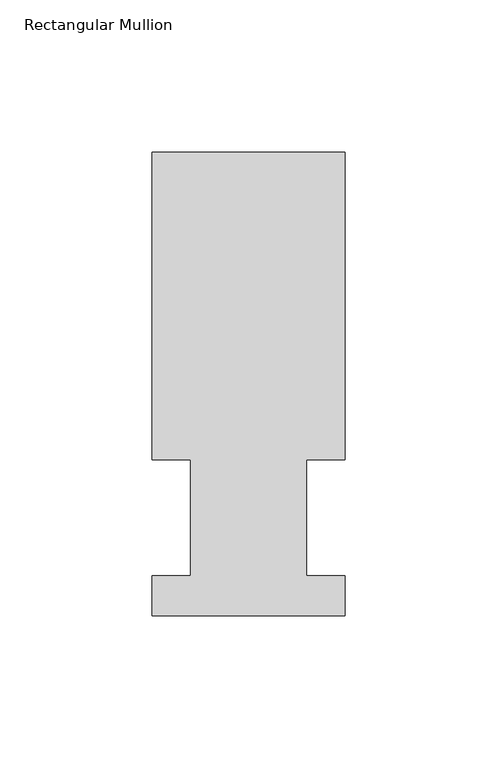
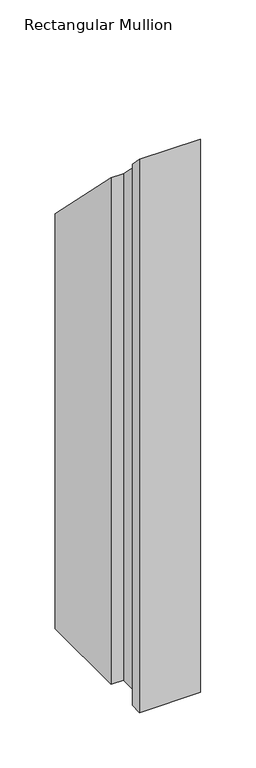
"""IFC4 building model written with IfcOpenShell, lengths in millimetres: member geometry, Rectangular Mullion."""

from ifc_helpers import new_model, si_unit, origin, place, context, project, spatial, faceted_brep, source, transform, mapped, element, save


def rectangular_mullion_2c7d32ca(model_context):
    return source(origin(), model_context, "Body", "Brep", [
        faceted_brep([(-63.5, 152.4896937, -609.56825), (-3e-07, 152.4831645, -609.56825), (-0.0104046, 51.2960937, -609.56825), (-12.6977047, 51.2960937, -609.56825), (-12.7016222, 13.1960938, -609.56825), (-0.0143221, 13.1960938, -609.56825), (-0.0156783, 0.0069653, -609.56825), (-63.5156779, 0.0134946, -609.56825), (-63.5143225, 13.1960938, -609.56825), (-50.8143224, 13.1960938, -609.56825), (-50.8104049, 51.2960937, -609.56825), (-63.510405, 51.2960937, -609.56825), (-63.510405, 51.2960937, -51.2960937), (-63.5, 152.4896937, -152.4896937), (-50.8104049, 51.2960937, -51.2960937), (-50.8143224, 13.1960938, -13.1960938), (-63.5143225, 13.1960938, -13.1960938), (-63.5156779, 0.0134946, -0.0134946), (-0.0156783, 0.0069653, -0.0069653), (-0.0143221, 13.1960938, -13.1960938), (-12.7016222, 13.1960938, -13.1960938), (-12.6977047, 51.2960937, -51.2960937), (-0.0104046, 51.2960937, -51.2960937), (-3e-07, 152.4831645, -152.4831645)], [[[0, 1, 2, 3, 4, 5, 6, 7, 8, 9, 10, 11]], [[12, 13, 0, 11]], [[14, 12, 11, 10]], [[15, 14, 10, 9]], [[16, 15, 9, 8]], [[17, 16, 8, 7]], [[18, 17, 7, 6]], [[19, 18, 6, 5]], [[20, 19, 5, 4]], [[21, 20, 4, 3]], [[22, 21, 3, 2]], [[23, 22, 2, 1]], [[13, 23, 1, 0]], [[13, 12, 14, 15, 16, 17, 18, 19, 20, 21, 22, 23]]]),
    ])


if __name__ == "__main__":
    model = new_model("IFC4")
    model_context = context("Model", 3, world=origin())
    ifc_project = project(units=[si_unit("LENGTHUNIT", "METRE", prefix="MILLI")], contexts=[model_context])
    site = spatial("IfcSite", under=ifc_project)
    building = spatial("IfcBuilding", under=site)
    placement = place(None, origin())
    rectangular_mullion_shape = rectangular_mullion_2c7d32ca(model_context)
    element("IfcMember", 1, ObjectType="Rectangular Mullion", at=placement, inside=building, context=model_context, shape_type="MappedRepresentation", body=[
        mapped(rectangular_mullion_shape, transform((0.0, 0.0, 0.0), x_axis=(1.0, 0.0, 0.0), y_axis=(0.0, 1.0, 0.0), z_axis=(0.0, 0.0, 1.0))),
    ])
    save(model, "model.ifc")
